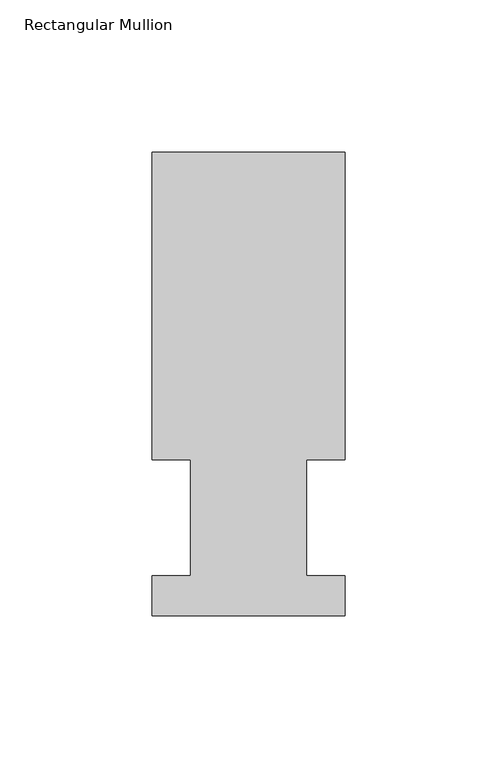
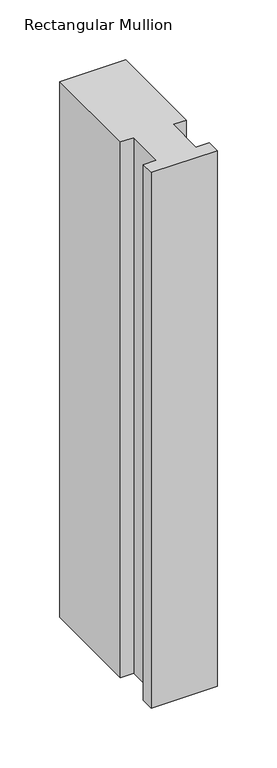
"""IFC4 building model written with IfcOpenShell, lengths in millimetres: member geometry, Rectangular Mullion."""

import ifcopenshell
import ifcopenshell.guid

model = None  # the IFC model being written
_history = None  # IfcOwnerHistory: only IFC2X3 demands one
_inside = {}  # id of a spatial element -> (the spatial element, [elements in it])
_under = {}  # id of a project, library or spatial element -> (it, [spatial elements below it])
_declared = {}  # id of a project -> (the project, [libraries it declares])
_typed = {}  # id of a type object -> (the type object, [elements of that type])
_made_of = {}  # id of a material, layer set ... -> (it, [elements and type objects made of it])


def new_model(schema):
    """Start an empty IFC model of exactly this schema.

    Asked for "IFC4X3", IfcOpenShell would pick the latest addendum, in which some entities
    have other attributes; the version numbers below select the first issue.
    IFC2X3 requires an IfcOwnerHistory on every rooted entity: one is made here for all.
    """
    global model, _history
    if schema == "IFC4X3":
        model = ifcopenshell.file(schema_version=(4, 3, 0, 0))
    else:
        model = ifcopenshell.file(schema=schema)
    _inside.clear()
    _under.clear()
    _declared.clear()
    _typed.clear()
    _made_of.clear()
    _history = None
    if model.schema == "IFC2X3":
        org = make("IfcOrganization", Name="unknown")
        user = make(
            "IfcPersonAndOrganization",
            ThePerson=make("IfcPerson", FamilyName="unknown"),
            TheOrganization=org,
        )
        app = make(
            "IfcApplication",
            ApplicationDeveloper=org,
            Version="unknown",
            ApplicationFullName="unknown",
            ApplicationIdentifier="unknown",
        )
        _history = make(
            "IfcOwnerHistory",
            OwningUser=user,
            OwningApplication=app,
            ChangeAction="ADDED",
            CreationDate=0,
        )
    return model


def make(cls, **values):
    """One entity of the class cls with the attributes given. An attribute that is None is left unset."""
    return model.create_entity(
        cls, **{name: value for name, value in values.items() if value is not None}
    )


def rooted(cls, **values):
    """An entity with a GlobalId (a new one), such as an element, a storey or a relation."""
    return make(cls, GlobalId=ifcopenshell.guid.new(), OwnerHistory=_history, **values)


def si_unit(unit_type, name, prefix=None):
    """IfcSIUnit, for example si_unit("LENGTHUNIT", "METRE", prefix="MILLI")."""
    return make("IfcSIUnit", UnitType=unit_type, Prefix=prefix, Name=name)


def assignment(units):
    """IfcUnitAssignment: the units of a project."""
    return None if units is None else make("IfcUnitAssignment", Units=units)


def point(xyz):
    """IfcCartesianPoint."""
    return None if xyz is None else make("IfcCartesianPoint", Coordinates=xyz)


def direction(xyz):
    """IfcDirection."""
    return None if xyz is None else make("IfcDirection", DirectionRatios=xyz)


def frame(location, z_axis=None, x_axis=None):
    """IfcAxis2Placement3D, a coordinate frame: its origin and axes. An axis left out is left unset."""
    return make(
        "IfcAxis2Placement3D",
        Location=point(location),
        Axis=direction(z_axis),
        RefDirection=direction(x_axis),
    )


def origin():
    """The frame at (0, 0, 0) with its axes left unset."""
    return frame((0.0, 0.0, 0.0))


def place(relative_to, where):
    """IfcLocalPlacement: puts the frame where relative to a parent placement (None: the world)."""
    return make(
        "IfcLocalPlacement", PlacementRelTo=relative_to, RelativePlacement=where
    )


def context(
    kind, dimensions, precision=None, world=None, true_north=None, identifier=None
):
    """IfcGeometricRepresentationContext, for example the 3D "Model" context."""
    return make(
        "IfcGeometricRepresentationContext",
        ContextIdentifier=identifier,
        ContextType=kind,
        CoordinateSpaceDimension=dimensions,
        Precision=precision,
        WorldCoordinateSystem=world,
        TrueNorth=true_north,
    )


def project(units=None, contexts=None):
    """IfcProject with its units and contexts."""
    return rooted(
        "IfcProject",
        Name="project",
        RepresentationContexts=contexts,
        UnitsInContext=assignment(units),
    )


def spatial(cls, under=None, at=None, **own):
    """A site, building, storey or space (cls), placed at a placement, below another one or the project."""
    s = rooted(cls, ObjectPlacement=at, **own)
    if under is not None:
        _under.setdefault(under.id(), (under, []))[1].append(s)
    return s


def polyline(points):
    """IfcPolyline through the points."""
    return make("IfcPolyline", Points=[point(p) for p in points])


def outline(outer, holes=None, kind="AREA"):
    """IfcArbitraryClosedProfileDef: a profile drawn as a closed curve; with holes, ...WithVoids."""
    if holes is None:
        return make("IfcArbitraryClosedProfileDef", ProfileType=kind, OuterCurve=outer)
    return make(
        "IfcArbitraryProfileDefWithVoids",
        ProfileType=kind,
        OuterCurve=outer,
        InnerCurves=holes,
    )


def extrude(swept, where, along, depth):
    """IfcExtrudedAreaSolid: the profile swept, set in the frame where, extruded along a direction by depth."""
    return make(
        "IfcExtrudedAreaSolid",
        SweptArea=swept,
        Position=where,
        ExtrudedDirection=direction(along),
        Depth=depth,
    )


def shape(context_of_items, identifier, shape_type, items):
    """IfcShapeRepresentation: the items that make up one representation, for example the "Body"."""
    return make(
        "IfcShapeRepresentation",
        ContextOfItems=context_of_items,
        RepresentationIdentifier=identifier,
        RepresentationType=shape_type,
        Items=items,
    )


def source(mapping_origin, context_of_items, identifier, shape_type, items):
    """IfcRepresentationMap: a shape defined once, which mapped items show again and again."""
    return make(
        "IfcRepresentationMap",
        MappingOrigin=mapping_origin,
        MappedRepresentation=shape(context_of_items, identifier, shape_type, items),
    )


def transform(
    local_origin,
    x_axis=None,
    y_axis=None,
    z_axis=None,
    scale=None,
    scale2=None,
    scale3=None,
    uniform=True,
):
    """IfcCartesianTransformationOperator3D, or its non-uniform kind. x_axis, y_axis, z_axis: its Axis1, 2, 3."""
    if uniform:
        return make(
            "IfcCartesianTransformationOperator3D",
            Axis1=direction(x_axis),
            Axis2=direction(y_axis),
            LocalOrigin=point(local_origin),
            Scale=scale,
            Axis3=direction(z_axis),
        )
    return make(
        "IfcCartesianTransformationOperator3DnonUniform",
        Axis1=direction(x_axis),
        Axis2=direction(y_axis),
        LocalOrigin=point(local_origin),
        Scale=scale,
        Axis3=direction(z_axis),
        Scale2=scale2,
        Scale3=scale3,
    )


def mapped(mapping_source, mapping_target):
    """IfcMappedItem: shows the shape of a source again, moved by a transform."""
    return make(
        "IfcMappedItem", MappingSource=mapping_source, MappingTarget=mapping_target
    )


def made_of(thing, what):
    """Note that an element or type object is made of a material, layer set ...; save() writes the relation."""
    if what is not None:
        _made_of.setdefault(what.id(), (what, []))[1].append(thing)
    return thing


def element(
    cls,
    number,
    at=None,
    inside=None,
    cuts=None,
    type_object=None,
    material=None,
    context=None,
    identifier="Body",
    shape_type=None,
    held_by="IfcProductDefinitionShape",
    body=None,
    shapes=None,
    **own,
):
    """One element of the class cls, such as IfcWall. Its Tag is "e" and its number.

    at: its placement. inside: the storey or other place that contains it. cuts: it is an
    opening in that element (IfcRelVoidsElement). A single representation is given by context,
    identifier, shape_type and body (its items); several are given by shapes. held_by: the class
    of the entity that holds the representations. save() writes the other relations.
    """
    e = rooted(cls, Tag="e%d" % number, ObjectPlacement=at, **own)
    if body is not None:
        shapes = [shape(context, identifier, shape_type, body)]
    if shapes is not None:
        e.Representation = make(held_by, Representations=shapes)
    if inside is not None:
        _inside.setdefault(inside.id(), (inside, []))[1].append(e)
    if cuts is not None:
        rooted(
            "IfcRelVoidsElement", RelatingBuildingElement=cuts, RelatedOpeningElement=e
        )
    if type_object is not None:
        _typed.setdefault(type_object.id(), (type_object, []))[1].append(e)
    return made_of(e, material)


def aggregate(whole, parts):
    """IfcRelAggregates: a whole, such as a stair, and the parts it consists of."""
    return rooted("IfcRelAggregates", RelatingObject=whole, RelatedObjects=parts)


def save(model, path):
    """Write the relations noted so far, then the file.

    IfcRelAggregates (storeys below a building ...), IfcRelContainedInSpatialStructure (elements
    in a storey), IfcRelDefinesByType, IfcRelAssociatesMaterial and IfcRelDeclares: one each for
    every whole, place, type object, material and project.
    """
    for whole, parts in _under.values():
        aggregate(whole, parts)
    for where, things in _inside.values():
        rooted(
            "IfcRelContainedInSpatialStructure",
            RelatedElements=things,
            RelatingStructure=where,
        )
    for kind, things in _typed.values():
        rooted("IfcRelDefinesByType", RelatedObjects=things, RelatingType=kind)
    for what, things in _made_of.values():
        rooted("IfcRelAssociatesMaterial", RelatedObjects=things, RelatingMaterial=what)
    for by, libraries in _declared.values():
        rooted("IfcRelDeclares", RelatingContext=by, RelatedDefinitions=libraries)
    model.write(path)


def rectangular_mullion_8ff00279(model_context):
    return source(origin(), model_context, "Body", "SweptSolid", [
        extrude(outline(polyline([(-63.5, 89.5945312), (-63.5, 190.7881312), (0.0, 190.7881312), (0.0, 89.5945312), (-12.6873001, 89.5945313), (-12.6873001, 51.4945312), (-6e-07, 51.4945312), (-6e-07, 38.3119313), (-63.4999997, 38.3119313), (-63.4999997, 51.4945313), (-50.8000001, 51.4945313), (-50.8000001, 89.5945312), (-63.5, 89.5945312)])), frame((0.0, 0.0, -546.0904902), z_axis=(0.0, 0.0, 1.0), x_axis=(1.0, 0.0, 0.0)), (0.0, 0.0, 1.0), 546.0904902),
    ])


if __name__ == "__main__":
    model = new_model("IFC4")
    model_context = context("Model", 3, world=origin())
    ifc_project = project(units=[si_unit("LENGTHUNIT", "METRE", prefix="MILLI")], contexts=[model_context])
    site = spatial("IfcSite", under=ifc_project)
    building = spatial("IfcBuilding", under=site)
    placement = place(None, origin())
    rectangular_mullion_shape = rectangular_mullion_8ff00279(model_context)
    element("IfcMember", 1, ObjectType="Rectangular Mullion", at=placement, inside=building, context=model_context, shape_type="MappedRepresentation", body=[
        mapped(rectangular_mullion_shape, transform((0.0, 0.0, 0.0), x_axis=(1.0, 0.0, 0.0), y_axis=(0.0, 1.0, 0.0), z_axis=(0.0, 0.0, 1.0))),
    ])
    save(model, "model.ifc")
